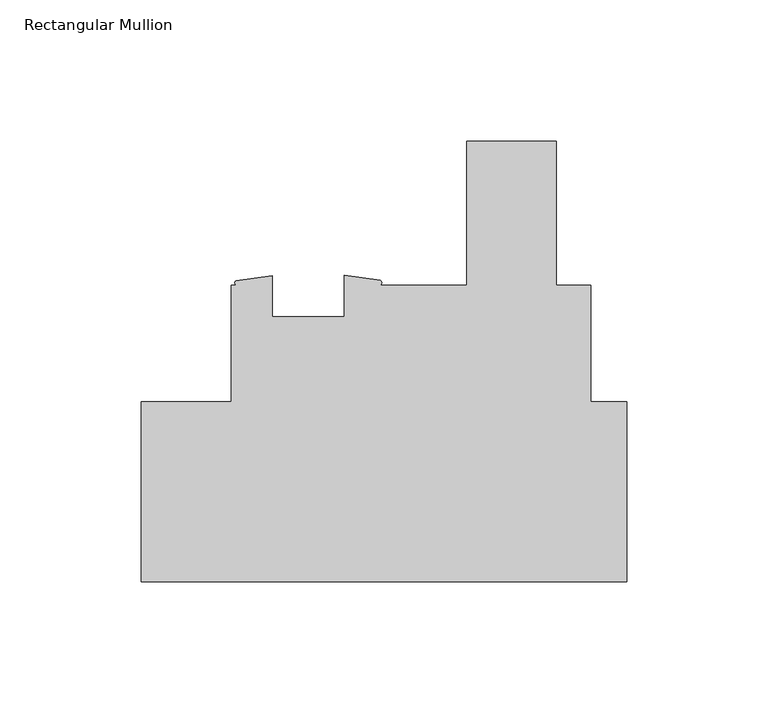
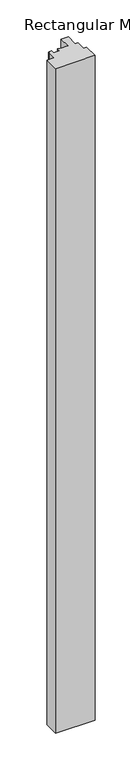
"""IFC4 building model written with IfcOpenShell, lengths in millimetres: member geometry, Rectangular Mullion."""

from ifc_helpers import new_model, si_unit, point, frame, frame_2d, origin, place, context, project, spatial, polyline, circle_curve, trimmed, segment, composite_curve, outline, extrude, source, transform, mapped, element, save


def rectangular_mullion_72d7160f(model_context):
    return source(origin(), model_context, "Body", "SweptSolid", [
        extrude(outline(composite_curve([segment(polyline([(-139.6999999, 63.5254), (-139.6999999, 104.7749997), (-137.9687934, 104.7749997)]), True, "CONTINUOUS"), segment(trimmed(circle_curve(frame_2d((-137.4909138, 105.5679478)), 0.9258162), [point((-137.9687934, 104.7749997))], [point((-137.9687934, 106.3608959))], False, "CARTESIAN"), True, "CONTINUOUS"), segment(polyline([(-137.9687934, 106.3608959), (-125.1975059, 108.1709997), (-125.1975059, 93.6624997), (-99.7968148, 93.6624997), (-99.7968148, 108.294421), (-87.0244531, 106.4384041)]), True, "CONTINUOUS"), segment(trimmed(circle_curve(frame_2d((-87.5622928, 105.6067019)), 0.9904545), [point((-87.0244531, 106.4384041))], [point((-87.0244531, 104.7749997))], False, "CARTESIAN"), True, "CONTINUOUS"), segment(polyline([(-87.0244531, 104.7749997), (-56.5105707, 104.7749997), (-56.5105707, 155.5812308), (-24.7605707, 155.5812308), (-24.7605707, 104.7749997), (-12.7010309, 104.7749997), (-12.7010309, 63.5322656), (0.0, 63.5322656), (0.0, 0.0), (-171.4499999, 0.0), (-171.4499999, 63.5254), (-139.6999999, 63.5254)]), True, "CONTINUOUS")], self_intersect=False)), frame((0.0, 0.0, -3048.0), z_axis=(0.0, 0.0, 1.0), x_axis=(1.0, 0.0, 0.0)), (0.0, 0.0, 1.0), 3048.0),
    ])


if __name__ == "__main__":
    model = new_model("IFC4")
    model_context = context("Model", 3, world=origin())
    ifc_project = project(units=[si_unit("LENGTHUNIT", "METRE", prefix="MILLI")], contexts=[model_context])
    site = spatial("IfcSite", under=ifc_project)
    building = spatial("IfcBuilding", under=site)
    placement = place(None, origin())
    rectangular_mullion_shape = rectangular_mullion_72d7160f(model_context)
    element("IfcMember", 1, ObjectType="Rectangular Mullion", at=placement, inside=building, context=model_context, shape_type="MappedRepresentation", body=[
        mapped(rectangular_mullion_shape, transform((0.0, 0.0, 0.0), x_axis=(1.0, 0.0, 0.0), y_axis=(0.0, 1.0, 0.0), z_axis=(0.0, 0.0, 1.0))),
    ])
    save(model, "model.ifc")
